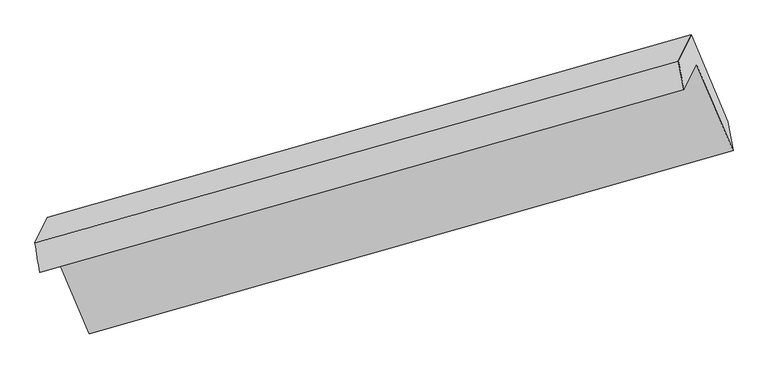
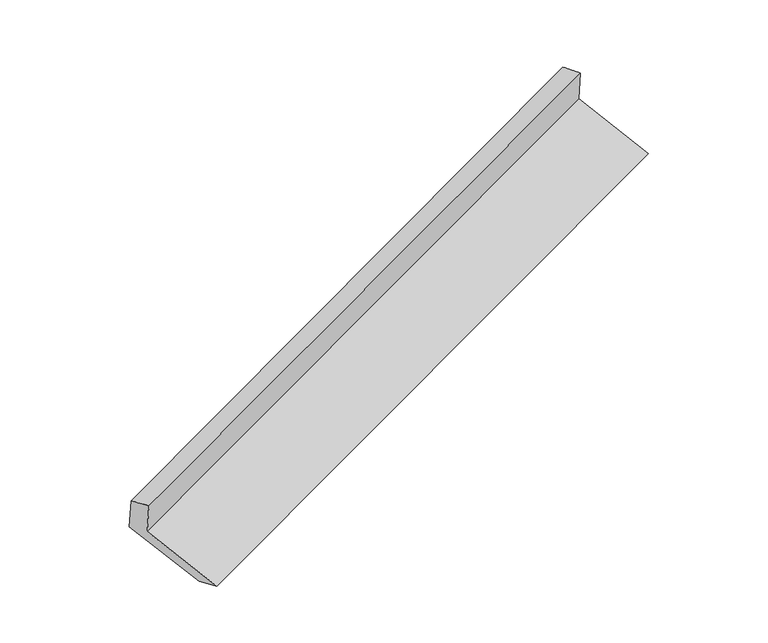
"""IFC4 building model written with IfcOpenShell, lengths in millimetres: proxy geometry."""

from ifc_helpers import new_model, si_unit, frame, origin, place, context, project, spatial, source, transform, mapped, element, save
from ifc_brep_helpers import plane_surface, spline_surface, advanced_brep


def generic_models_48a18d26(model_context):
    return source(origin(), model_context, "Body", "AdvancedBrep", [
        advanced_brep(
        [(-5141.7122587, -2139.1535378, 1485.9383923), (-5057.8458179, -1968.0416686, 1124.0713971), (-738.490575, -738.6259751, 2695.1647144), (-822.3570158, -909.7378443, 3057.0317095), (-5174.3673525, -1939.3379682, 1419.176203), (-859.1134083, -718.2901142, 3007.9658083), (-5090.5009117, -1768.226099, 1057.3092078), (-773.1963181, -542.9943253, 2637.2506691), (-4844.1543821, -2349.8130015, 839.3942933), (-526.8497885, -1124.5812277, 2419.3357546), (-4811.4992883, -2549.628571, 906.1564825), (-492.1440453, -1320.2128775, 2477.2497998)],
        [
            (0, 1),
            (1, 2),
            (2, 3),
            (3, 0),
            (4, 0),
            (3, 5),
            (5, 4),
            (6, 4),
            (5, 7),
            (7, 6),
            (8, 6),
            (7, 9),
            (9, 8),
            (10, 8),
            (9, 11),
            (11, 10),
            (1, 10),
            (11, 2),
        ],
        [
            plane_surface(frame((-5099.7790383, -2053.5976032, 1305.0048947), z_axis=(0.36679614715402276, -0.8709941883950352, -0.3268481454973227), x_axis=(0.20506494277866844, 0.41839197340053763, -0.8848144019155574))),
            spline_surface(1, 1, [[(-5174.3673525, -1939.3379682, 1419.176203), (-859.1134083, -718.2901142, 3007.9658083)], [(-5141.7122587, -2139.1535378, 1485.9383923), (-822.3570158, -909.7378443, 3057.0317095)]], [2, 2], [2, 2], [0.0, 1.0], [0.0, 1.0]),
            plane_surface(frame((-5132.4341321, -1853.7820336, 1238.2427054), z_axis=(-0.3667961471540222, 0.8709941883950351, 0.3268481454973233), x_axis=(-0.205064942778669, -0.4183919734005382, 0.8848144019155569))),
            plane_surface(frame((-4967.3276469, -2059.0195502, 948.3517506), z_axis=(0.20506494277869125, 0.4183919734005501, -0.8848144019155462), x_axis=(-0.36870256620620107, 0.8704510013785978, 0.3261494624738147))),
            spline_surface(1, 1, [[(-4811.4992883, -2549.628571, 906.1564825), (-492.1440453, -1320.2128775, 2477.2497998)], [(-4844.1543821, -2349.8130015, 839.3942933), (-526.8497885, -1124.5812277, 2419.3357546)]], [2, 2], [2, 2], [0.0, 1.0], [0.0, 1.0]),
            plane_surface(frame((-4934.6725531, -2258.8351198, 1015.1139398), z_axis=(-0.20315888517287484, -0.4178459395595812, 0.885511850947736), x_axis=(0.36870256620620395, -0.8704510013785999, -0.3261494624738058))),
            plane_surface(frame((-702.0251918, -892.4070607, 2715.6664093), z_axis=(0.9066458994095457, 0.2593515197429843, 0.33276117906219227), x_axis=(-0.36870256620620107, 0.8704510013785978, 0.3261494624738147))),
            plane_surface(frame((-5020.0133352, -2119.0334744, 1138.6743293), z_axis=(-0.9066458994095334, -0.2593515197429916, -0.33276117906221975), x_axis=(-0.20506494277869072, -0.41839197340054385, 0.8848144019155492))),
        ],
        [
            (0, [[1, 2, 3, 4]]),
            (1, [[5, -4, 6, 7]]),
            (2, [[8, -7, 9, 10]]),
            (3, [[11, -10, 12, 13]]),
            (4, [[14, -13, 15, 16]]),
            (5, [[17, -16, 18, -2]]),
            (6, [[-12, -9, -6, -3, -18, -15]]),
            (7, [[-1, -5, -8, -11, -14, -17]]),
        ],
    ),
    ])


if __name__ == "__main__":
    model = new_model("IFC4")
    model_context = context("Model", 3, world=origin())
    ifc_project = project(units=[si_unit("LENGTHUNIT", "METRE", prefix="MILLI")], contexts=[model_context])
    site = spatial("IfcSite", under=ifc_project)
    building = spatial("IfcBuilding", under=site)
    placement = place(None, origin())
    generic_models_shape = generic_models_48a18d26(model_context)
    element("IfcBuildingElementProxy", 1, Name="Generic Models", at=placement, inside=building, context=model_context, shape_type="MappedRepresentation", body=[
        mapped(generic_models_shape, transform((0.0, 0.0, 0.0), x_axis=(1.0, 0.0, 0.0), y_axis=(0.0, 1.0, 0.0), z_axis=(0.0, 0.0, 1.0))),
    ])
    save(model, "model.ifc")
